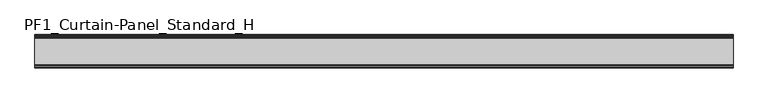
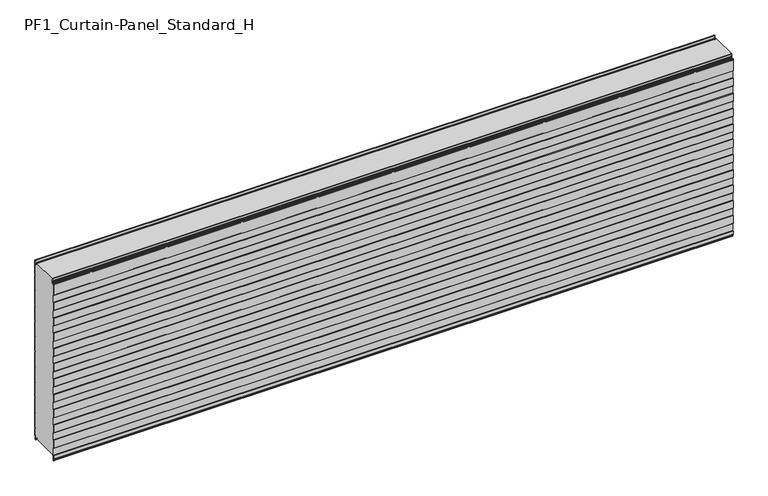
"""IFC4 building model written with IfcOpenShell, lengths in millimetres: plate geometry, PF1_Curtain-Panel_Standard_H."""

from ifc_helpers import new_model, si_unit, point, frame, frame_2d, origin, place, context, project, spatial, polyline, circle_curve, trimmed, segment, composite_curve, outline, extrude, source, transform, mapped, element, save


def pf1_curtain_panel_standard_h_06c33314(model_context):
    return source(origin(), model_context, "Body", "SweptSolid", [
        extrude(outline(composite_curve([segment(polyline([(-15.878557, 0.0), (-20.0, 0.0), (-20.0, 0.8), (-15.878557, 0.8)]), True, "CONTINUOUS"), segment(trimmed(circle_curve(frame_2d((-15.878557, -2.0)), 2.8), [point((-15.878557, 0.8))], [point((-13.1503208, -1.370137))], False, "CARTESIAN"), True, "CONTINUOUS"), segment(polyline([(-13.1503208, -1.370137), (-11.728236, -7.529863)]), True, "CONTINUOUS"), segment(trimmed(circle_curve(frame_2d((-9.0, -6.9)), 2.8), [point((-11.728236, -7.529863))], [point((-6.2, -6.9))], True, "CARTESIAN"), True, "CONTINUOUS"), segment(polyline([(-6.2, -6.9), (-6.2, 8.6)]), True, "CONTINUOUS"), segment(trimmed(circle_curve(frame_2d((-3.4, 8.6)), 2.8), [point((-6.2, 8.6))], [point((-3.4, 11.4))], False, "CARTESIAN"), True, "CONTINUOUS"), segment(polyline([(-3.4, 11.4), (-2.0, 11.4)]), True, "CONTINUOUS"), segment(trimmed(circle_curve(frame_2d((-2.0, 12.6)), 1.2), [point((-2.0, 11.4))], [point((-0.8, 12.6))], True, "CARTESIAN"), True, "CONTINUOUS"), segment(polyline([(-0.8, 12.6), (-0.8, 57.6856412), (-2.482606, 60.6), (-0.8, 63.5143588), (-0.8, 157.6856412), (-2.482606, 160.6), (-0.8, 163.5143588), (-0.8, 257.6856412), (-2.482606, 260.6), (-0.8, 263.5143588), (-0.8, 357.6856412), (-2.482606, 360.6), (-0.8, 363.5143588), (-0.8, 457.6856412), (-2.482606, 460.6), (-0.8, 463.5143588), (-0.8, 557.6856412), (-2.482606, 560.6), (-0.8, 563.5143588), (-0.8, 657.6856412), (-2.482606, 660.6), (-0.8, 663.5143588), (-0.8, 757.6856412), (-2.482606, 760.6), (-0.8, 763.5143588), (-0.8, 857.6856412), (-2.482606, 860.6), (-0.8, 863.5143588), (-0.8, 957.6856412), (-2.482606, 960.6), (-0.8, 963.5143588), (-0.8, 1057.6856412), (-2.482606, 1060.6), (-0.8, 1063.5143588), (-0.8, 1158.268846)]), True, "CONTINUOUS"), segment(trimmed(circle_curve(frame_2d((-2.5, 1158.268846)), 1.7), [point((-0.8, 1158.268846))], [point((-4.2, 1158.268846))], True, "CARTESIAN"), True, "CONTINUOUS"), segment(polyline([(-4.2, 1158.268846), (-4.2, 1141.268846)]), True, "CONTINUOUS"), segment(trimmed(circle_curve(frame_2d((-9.0, 1141.268846)), 4.8), [point((-4.2, 1141.268846))], [point((-13.7270771, 1140.4353344))], False, "CARTESIAN"), True, "CONTINUOUS"), segment(polyline([(-13.7270771, 1140.4353344), (-14.8636953, 1146.8814129)]), True, "CONTINUOUS"), segment(trimmed(circle_curve(frame_2d((-16.6363492, 1146.568846)), 1.8), [point((-14.8636953, 1146.8814129))], [point((-16.6363492, 1148.368846))], True, "CARTESIAN"), True, "CONTINUOUS"), segment(polyline([(-16.6363492, 1148.368846), (-20.0, 1148.368846), (-20.0, 1149.168846), (-16.6363492, 1149.168846)]), True, "CONTINUOUS"), segment(trimmed(circle_curve(frame_2d((-16.6363492, 1146.568846)), 2.6), [point((-16.6363492, 1149.168846))], [point((-14.0758491, 1147.0203315))], False, "CARTESIAN"), True, "CONTINUOUS"), segment(polyline([(-14.0758491, 1147.0203315), (-12.939231, 1140.574253)]), True, "CONTINUOUS"), segment(trimmed(circle_curve(frame_2d((-9.0, 1141.268846)), 4.0), [point((-12.939231, 1140.574253))], [point((-5.0, 1141.268846))], True, "CARTESIAN"), True, "CONTINUOUS"), segment(polyline([(-5.0, 1141.268846), (-5.0, 1158.268846)]), True, "CONTINUOUS"), segment(trimmed(circle_curve(frame_2d((-2.5, 1158.268846)), 2.5), [point((-5.0, 1158.268846))], [point((0.0, 1158.268846))], False, "CARTESIAN"), True, "CONTINUOUS"), segment(polyline([(0.0, 1158.268846), (0.0, 1063.2999995), (-1.5588455, 1060.6), (0.0, 1057.9000005), (0.0, 963.2999995), (-1.5588455, 960.6), (0.0, 957.9000005), (0.0, 863.2999995), (-1.5588455, 860.6), (0.0, 857.9000005), (0.0, 763.2999995), (-1.5588455, 760.6), (0.0, 757.9000005), (0.0, 663.2999995), (-1.5588455, 660.6), (0.0, 657.9000005), (0.0, 563.2999995), (-1.5588455, 560.6), (0.0, 557.9000005), (0.0, 463.2999995), (-1.5588455, 460.6), (0.0, 457.9000005), (0.0, 363.2999995), (-1.5588455, 360.6), (0.0, 357.9000005), (0.0, 263.2999995), (-1.5588455, 260.6), (0.0, 257.9000005), (0.0, 163.2999995), (-1.5588455, 160.6), (0.0, 157.9000005), (0.0, 63.2999995), (-1.5588455, 60.6), (0.0, 57.9000005), (0.0, 12.6)]), True, "CONTINUOUS"), segment(trimmed(circle_curve(frame_2d((-2.0, 12.6)), 2.0), [point((0.0, 12.6))], [point((-2.0, 10.6))], False, "CARTESIAN"), True, "CONTINUOUS"), segment(polyline([(-2.0, 10.6), (-3.4, 10.6)]), True, "CONTINUOUS"), segment(trimmed(circle_curve(frame_2d((-3.4, 8.6)), 2.0), [point((-3.4, 10.6))], [point((-5.4, 8.6))], True, "CARTESIAN"), True, "CONTINUOUS"), segment(polyline([(-5.4, 8.6), (-5.4, -6.9)]), True, "CONTINUOUS"), segment(trimmed(circle_curve(frame_2d((-9.0, -6.9)), 3.6), [point((-5.4, -6.9))], [point((-12.5077322, -7.7098239))], False, "CARTESIAN"), True, "CONTINUOUS"), segment(polyline([(-12.5077322, -7.7098239), (-13.929817, -1.5500979)]), True, "CONTINUOUS"), segment(trimmed(circle_curve(frame_2d((-15.878557, -2.0)), 2.0), [point((-13.929817, -1.5500979))], [point((-15.878557, 0.0))], True, "CARTESIAN"), True, "CONTINUOUS")], self_intersect=False)), frame((-2100.0, 0.0, 0.0), z_axis=(1.0, 0.0, 0.0), x_axis=(0.0, 1.0, 0.0)), (0.0, 0.0, 1.0), 4200.0),
        extrude(outline(composite_curve([segment(polyline([(-190.0, 0.0), (-193.5, 0.0)]), True, "CONTINUOUS"), segment(trimmed(circle_curve(frame_2d((-193.5, -2.0)), 2.0), [point((-193.5, 0.0))], [point((-195.5, -2.0))], True, "CARTESIAN"), True, "CONTINUOUS"), segment(polyline([(-195.5, -2.0), (-195.5, -33.0)]), True, "CONTINUOUS"), segment(trimmed(circle_curve(frame_2d((-196.5, -33.0)), 1.0), [point((-195.5, -33.0))], [point((-197.5, -33.0))], False, "CARTESIAN"), True, "CONTINUOUS"), segment(polyline([(-197.5, -33.0), (-197.5, -26.9)]), True, "CONTINUOUS"), segment(trimmed(circle_curve(frame_2d((-198.4, -26.9)), 0.9), [point((-197.5, -26.9))], [point((-198.4, -26.0))], True, "CARTESIAN"), True, "CONTINUOUS"), segment(trimmed(circle_curve(frame_2d((-198.4, -24.4)), 1.6), [point((-198.4, -26.0))], [point((-200.0, -24.4))], False, "CARTESIAN"), True, "CONTINUOUS"), segment(polyline([(-200.0, -24.4), (-200.0, -0.9952559), (-198.5, 1.6028217), (-198.5, 46.4028193), (-200.0, 49.0008969), (-200.0, 99.0047441), (-198.5, 101.6028217), (-198.5, 146.4028193), (-200.0, 149.0008969), (-200.0, 199.0047441), (-198.5, 201.6028217), (-198.5, 246.4028193), (-200.0, 249.0008969), (-200.0, 299.0047441), (-198.5, 301.6028217), (-198.5, 346.4028193), (-200.0, 349.0008969), (-200.0, 399.0047441), (-198.5, 401.6028217), (-198.5, 446.4028193), (-200.0, 449.0008969), (-200.0, 499.0047441), (-198.5, 501.6028217), (-198.5, 546.4028193), (-200.0, 549.0008969), (-200.0, 599.0047441), (-198.5, 601.6028217), (-198.5, 646.4028193), (-200.0, 649.0008969), (-200.0, 699.0047441), (-198.5, 701.6028217), (-198.5, 746.4028193), (-200.0, 749.0008969), (-200.0, 799.0047441), (-198.5, 801.6028217), (-198.5, 846.4028193), (-200.0, 849.0008969), (-200.0, 899.0047441), (-198.5, 901.6028217), (-198.5, 946.4028193), (-200.0, 949.0008969), (-200.0, 999.0047441), (-198.5, 1001.6028217), (-198.5, 1046.4028193), (-200.0, 1049.0008969), (-200.0, 1123.168846)]), True, "CONTINUOUS"), segment(trimmed(circle_curve(frame_2d((-199.0, 1123.168846)), 1.0), [point((-200.0, 1123.168846))], [point((-198.0, 1123.168846))], False, "CARTESIAN"), True, "CONTINUOUS"), segment(polyline([(-198.0, 1123.168846), (-198.0, 1117.168846)]), True, "CONTINUOUS"), segment(trimmed(circle_curve(frame_2d((-196.5, 1117.168846)), 1.5), [point((-198.0, 1117.168846))], [point((-195.0, 1117.168846))], True, "CARTESIAN"), True, "CONTINUOUS"), segment(polyline([(-195.0, 1117.168846), (-195.0, 1117.9964664)]), True, "CONTINUOUS"), segment(trimmed(circle_curve(frame_2d((-188.8276204, 1117.9964664)), 6.1723796), [point((-195.0, 1117.9964664))], [point((-188.8276204, 1124.168846))], False, "CARTESIAN"), True, "CONTINUOUS"), segment(polyline([(-188.8276204, 1124.168846), (-188.0, 1124.168846)]), True, "CONTINUOUS"), segment(trimmed(circle_curve(frame_2d((-188.0, 1125.168846)), 1.0), [point((-188.0, 1124.168846))], [point((-187.0, 1125.168846))], True, "CARTESIAN"), True, "CONTINUOUS"), segment(polyline([(-187.0, 1125.168846), (-187.0, 1131.6688472), (-185.4999999, 1133.168846), (-187.0, 1134.6688448), (-187.0, 1146.568846)]), True, "CONTINUOUS"), segment(trimmed(circle_curve(frame_2d((-184.4, 1146.568846)), 2.6), [point((-187.0, 1146.568846))], [point((-184.4, 1149.168846))], False, "CARTESIAN"), True, "CONTINUOUS"), segment(polyline([(-184.4, 1149.168846), (-183.0, 1149.168846), (-183.0, 1148.368846), (-184.4, 1148.368846)]), True, "CONTINUOUS"), segment(trimmed(circle_curve(frame_2d((-184.4, 1146.568846)), 1.8), [point((-184.4, 1148.368846))], [point((-186.2, 1146.568846))], True, "CARTESIAN"), True, "CONTINUOUS"), segment(polyline([(-186.2, 1146.568846), (-186.2, 1135.0002158), (-184.3686285, 1133.168846), (-186.2, 1131.3374762), (-186.2, 1125.168846)]), True, "CONTINUOUS"), segment(trimmed(circle_curve(frame_2d((-188.0, 1125.168846)), 1.8), [point((-186.2, 1125.168846))], [point((-188.0, 1123.368846))], False, "CARTESIAN"), True, "CONTINUOUS"), segment(polyline([(-188.0, 1123.368846), (-188.8276204, 1123.368846)]), True, "CONTINUOUS"), segment(trimmed(circle_curve(frame_2d((-188.8276204, 1117.9964664)), 5.3723796), [point((-188.8276204, 1123.368846))], [point((-194.2, 1117.9964664))], True, "CARTESIAN"), True, "CONTINUOUS"), segment(polyline([(-194.2, 1117.9964664), (-194.2, 1117.168846)]), True, "CONTINUOUS"), segment(trimmed(circle_curve(frame_2d((-196.4, 1117.168846)), 2.2), [point((-194.2, 1117.168846))], [point((-198.6, 1117.168846))], False, "CARTESIAN"), True, "CONTINUOUS"), segment(polyline([(-198.6, 1117.168846), (-198.6, 1123.0579973)]), True, "CONTINUOUS"), segment(trimmed(circle_curve(frame_2d((-198.9, 1123.0579973)), 0.3), [point((-198.6, 1123.0579973))], [point((-199.2, 1123.0579973))], True, "CARTESIAN"), True, "CONTINUOUS"), segment(polyline([(-199.2, 1123.0579973), (-199.2, 1049.2152562), (-197.7, 1046.6171786), (-197.7, 1001.3884624), (-199.2, 998.7903848), (-199.2, 949.2152562), (-197.7, 946.6171786), (-197.7, 901.3884624), (-199.2, 898.7903848), (-199.2, 849.2152562), (-197.7, 846.6171786), (-197.7, 801.3884624), (-199.2, 798.7903848), (-199.2, 749.2152562), (-197.7, 746.6171786), (-197.7, 701.3884624), (-199.2, 698.7903848), (-199.2, 649.2152562), (-197.7, 646.6171786), (-197.7, 601.3884624), (-199.2, 598.7903848), (-199.2, 549.2152562), (-197.7, 546.6171786), (-197.7, 501.3884624), (-199.2, 498.7903848), (-199.2, 449.2152562), (-197.7, 446.6171786), (-197.7, 401.3884624), (-199.2, 398.7903848), (-199.2, 349.2152562), (-197.7, 346.6171786), (-197.7, 301.3884624), (-199.2, 298.7903848), (-199.2, 249.2152562), (-197.7, 246.6171786), (-197.7, 201.3884624), (-199.2, 198.7903848), (-199.2, 149.2152562), (-197.7, 146.6171786), (-197.7, 101.3884624), (-199.2, 98.7903848), (-199.2, 49.2152562), (-197.7, 46.6171786), (-197.7, 1.3884624), (-199.2, -1.2096152), (-199.2, -24.4)]), True, "CONTINUOUS"), segment(trimmed(circle_curve(frame_2d((-198.4, -24.4)), 0.8), [point((-199.2, -24.4))], [point((-198.4, -25.2))], True, "CARTESIAN"), True, "CONTINUOUS"), segment(trimmed(circle_curve(frame_2d((-198.6133333, -26.9)), 1.7133333), [point((-198.4, -25.2))], [point((-196.9, -26.9))], False, "CARTESIAN"), True, "CONTINUOUS"), segment(polyline([(-196.9, -26.9), (-196.9, -32.8700312)]), True, "CONTINUOUS"), segment(trimmed(circle_curve(frame_2d((-196.6, -32.8700312)), 0.3), [point((-196.9, -32.8700312))], [point((-196.3, -32.8700312))], True, "CARTESIAN"), True, "CONTINUOUS"), segment(polyline([(-196.3, -32.8700312), (-196.3, -2.0)]), True, "CONTINUOUS"), segment(trimmed(circle_curve(frame_2d((-193.5, -2.0)), 2.8), [point((-196.3, -2.0))], [point((-193.5, 0.8))], False, "CARTESIAN"), True, "CONTINUOUS"), segment(polyline([(-193.5, 0.8), (-190.0, 0.8), (-190.0, 0.0)]), True, "CONTINUOUS")], self_intersect=False)), frame((-2100.0, 0.0, 0.0), z_axis=(1.0, 0.0, 0.0), x_axis=(0.0, 1.0, 0.0)), (0.0, 0.0, 1.0), 4200.0),
        extrude(outline(composite_curve([segment(polyline([(-190.0, 0.8), (-193.5, 0.8)]), True, "CONTINUOUS"), segment(trimmed(circle_curve(frame_2d((-193.5, -2.0)), 2.8), [point((-193.5, 0.8))], [point((-196.3, -2.0))], True, "CARTESIAN"), True, "CONTINUOUS"), segment(polyline([(-196.3, -2.0), (-196.3, -32.8700312)]), True, "CONTINUOUS"), segment(trimmed(circle_curve(frame_2d((-196.6, -32.8700312)), 0.3), [point((-196.3, -32.8700312))], [point((-196.9, -32.8700312))], False, "CARTESIAN"), True, "CONTINUOUS"), segment(polyline([(-196.9, -32.8700312), (-196.9, -26.9)]), True, "CONTINUOUS"), segment(trimmed(circle_curve(frame_2d((-198.6133333, -26.9)), 1.7133333), [point((-196.9, -26.9))], [point((-198.4, -25.2))], True, "CARTESIAN"), True, "CONTINUOUS"), segment(trimmed(circle_curve(frame_2d((-198.4, -24.4)), 0.8), [point((-198.4, -25.2))], [point((-199.2, -24.4))], False, "CARTESIAN"), True, "CONTINUOUS"), segment(polyline([(-199.2, -24.4), (-199.2, -1.2096152), (-197.7, 1.3884624), (-197.7, 46.6171786), (-199.2, 49.2152562), (-199.2, 98.7903848), (-197.7, 101.3884624), (-197.7, 146.6171786), (-199.2, 149.2152562), (-199.2, 198.7903848), (-197.7, 201.3884624), (-197.7, 246.6171786), (-199.2, 249.2152562), (-199.2, 298.7903848), (-197.7, 301.3884624), (-197.7, 346.6171786), (-199.2, 349.2152562), (-199.2, 398.7903848), (-197.7, 401.3884624), (-197.7, 446.6171786), (-199.2, 449.2152562), (-199.2, 498.7903848), (-197.7, 501.3884624), (-197.7, 546.6171786), (-199.2, 549.2152562), (-199.2, 598.7903848), (-197.7, 601.3884624), (-197.7, 646.6171786), (-199.2, 649.2152562), (-199.2, 698.7903848), (-197.7, 701.3884624), (-197.7, 746.6171786), (-199.2, 749.2152562), (-199.2, 798.7903848), (-197.7, 801.3884624), (-197.7, 846.6171786), (-199.2, 849.2152562), (-199.2, 898.7903848), (-197.7, 901.3884624), (-197.7, 946.6171786), (-199.2, 949.2152562), (-199.2, 998.7903848), (-197.7, 1001.3884624), (-197.7, 1046.6171786), (-199.2, 1049.2152562), (-199.2, 1123.0579973)]), True, "CONTINUOUS"), segment(trimmed(circle_curve(frame_2d((-198.9, 1123.0579973)), 0.3), [point((-199.2, 1123.0579973))], [point((-198.6, 1123.0579973))], False, "CARTESIAN"), True, "CONTINUOUS"), segment(polyline([(-198.6, 1123.0579973), (-198.6, 1117.168846)]), True, "CONTINUOUS"), segment(trimmed(circle_curve(frame_2d((-196.4, 1117.168846)), 2.2), [point((-198.6, 1117.168846))], [point((-194.2, 1117.168846))], True, "CARTESIAN"), True, "CONTINUOUS"), segment(polyline([(-194.2, 1117.168846), (-194.2, 1117.9964664)]), True, "CONTINUOUS"), segment(trimmed(circle_curve(frame_2d((-188.8276204, 1117.9964664)), 5.3723796), [point((-194.2, 1117.9964664))], [point((-188.8276204, 1123.368846))], False, "CARTESIAN"), True, "CONTINUOUS"), segment(polyline([(-188.8276204, 1123.368846), (-188.0, 1123.368846)]), True, "CONTINUOUS"), segment(trimmed(circle_curve(frame_2d((-188.0, 1125.168846)), 1.8), [point((-188.0, 1123.368846))], [point((-186.2, 1125.168846))], True, "CARTESIAN"), True, "CONTINUOUS"), segment(polyline([(-186.2, 1125.168846), (-186.2, 1131.3374762), (-184.3686285, 1133.168846), (-186.2, 1135.0002158), (-186.2, 1146.568846)]), True, "CONTINUOUS"), segment(trimmed(circle_curve(frame_2d((-184.4, 1146.568846)), 1.8), [point((-186.2, 1146.568846))], [point((-184.4, 1148.368846))], False, "CARTESIAN"), True, "CONTINUOUS"), segment(polyline([(-184.4, 1148.368846), (-183.0, 1148.368846), (-183.0, 1149.168846), (-20.0, 1149.168846), (-20.0, 1148.368846), (-16.6363492, 1148.368846)]), True, "CONTINUOUS"), segment(trimmed(circle_curve(frame_2d((-16.6363492, 1146.568846)), 1.8), [point((-16.6363492, 1148.368846))], [point((-14.8636953, 1146.8814129))], False, "CARTESIAN"), True, "CONTINUOUS"), segment(polyline([(-14.8636953, 1146.8814129), (-13.7270772, 1140.4353344)]), True, "CONTINUOUS"), segment(trimmed(circle_curve(frame_2d((-9.0, 1141.268846)), 4.8), [point((-13.7270772, 1140.4353344))], [point((-4.2, 1141.268846))], True, "CARTESIAN"), True, "CONTINUOUS"), segment(polyline([(-4.2, 1141.268846), (-4.2, 1158.268846)]), True, "CONTINUOUS"), segment(trimmed(circle_curve(frame_2d((-2.5, 1158.268846)), 1.7), [point((-4.2, 1158.268846))], [point((-0.8, 1158.268846))], False, "CARTESIAN"), True, "CONTINUOUS"), segment(polyline([(-0.8, 1158.268846), (-0.8, 1063.5143588), (-2.482606, 1060.6), (-0.8, 1057.6856412), (-0.8, 963.5143588), (-2.482606, 960.6), (-0.8, 957.6856412), (-0.8, 863.5143588), (-2.482606, 860.6), (-0.8, 857.6856412), (-0.8, 763.5143588), (-2.482606, 760.6), (-0.8, 757.6856412), (-0.8, 663.5143588), (-2.482606, 660.6), (-0.8, 657.6856412), (-0.8, 563.5143588), (-2.482606, 560.6), (-0.8, 557.6856412), (-0.8, 463.5143588), (-2.482606, 460.6), (-0.8, 457.6856412), (-0.8, 363.5143588), (-2.482606, 360.6), (-0.8, 357.6856412), (-0.8, 263.5143588), (-2.482606, 260.6), (-0.8, 257.6856412), (-0.8, 163.5143588), (-2.482606, 160.6), (-0.8, 157.6856412), (-0.8, 63.5143588), (-2.482606, 60.6), (-0.8, 57.6856412), (-0.8, 12.6)]), True, "CONTINUOUS"), segment(trimmed(circle_curve(frame_2d((-2.0, 12.6)), 1.2), [point((-0.8, 12.6))], [point((-2.0, 11.4))], False, "CARTESIAN"), True, "CONTINUOUS"), segment(polyline([(-2.0, 11.4), (-3.4, 11.4)]), True, "CONTINUOUS"), segment(trimmed(circle_curve(frame_2d((-3.4, 8.6)), 2.8), [point((-3.4, 11.4))], [point((-6.2, 8.6))], True, "CARTESIAN"), True, "CONTINUOUS"), segment(polyline([(-6.2, 8.6), (-6.2, -6.9)]), True, "CONTINUOUS"), segment(trimmed(circle_curve(frame_2d((-9.0, -6.9)), 2.8), [point((-6.2, -6.9))], [point((-11.7282362, -7.529863))], False, "CARTESIAN"), True, "CONTINUOUS"), segment(polyline([(-11.7282362, -7.529863), (-13.1503208, -1.370137)]), True, "CONTINUOUS"), segment(trimmed(circle_curve(frame_2d((-15.878557, -2.0)), 2.8), [point((-13.1503208, -1.370137))], [point((-15.878557, 0.8))], True, "CARTESIAN"), True, "CONTINUOUS"), segment(polyline([(-15.878557, 0.8), (-20.0, 0.8), (-20.0, 0.0), (-190.0, 0.0), (-190.0, 0.8)]), True, "CONTINUOUS")], self_intersect=False)), frame((-2100.0, 0.0, 0.0), z_axis=(1.0, 0.0, 0.0), x_axis=(0.0, 1.0, 0.0)), (0.0, 0.0, 1.0), 4200.0),
    ])


if __name__ == "__main__":
    model = new_model("IFC4")
    model_context = context("Model", 3, world=origin())
    ifc_project = project(units=[si_unit("LENGTHUNIT", "METRE", prefix="MILLI")], contexts=[model_context])
    site = spatial("IfcSite", under=ifc_project)
    building = spatial("IfcBuilding", under=site)
    placement = place(None, origin())
    pf1_curtain_panel_standard_h_shape = pf1_curtain_panel_standard_h_06c33314(model_context)
    element("IfcPlate", 1, ObjectType="PF1_Curtain-Panel_Standard_H", at=placement, inside=building, context=model_context, shape_type="MappedRepresentation", body=[
        mapped(pf1_curtain_panel_standard_h_shape, transform((0.0, 0.0, 0.0), x_axis=(1.0, 0.0, 0.0), y_axis=(0.0, 1.0, 0.0), z_axis=(0.0, 0.0, 1.0))),
    ])
    save(model, "model.ifc")
